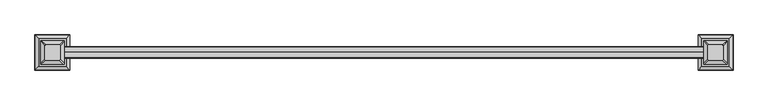
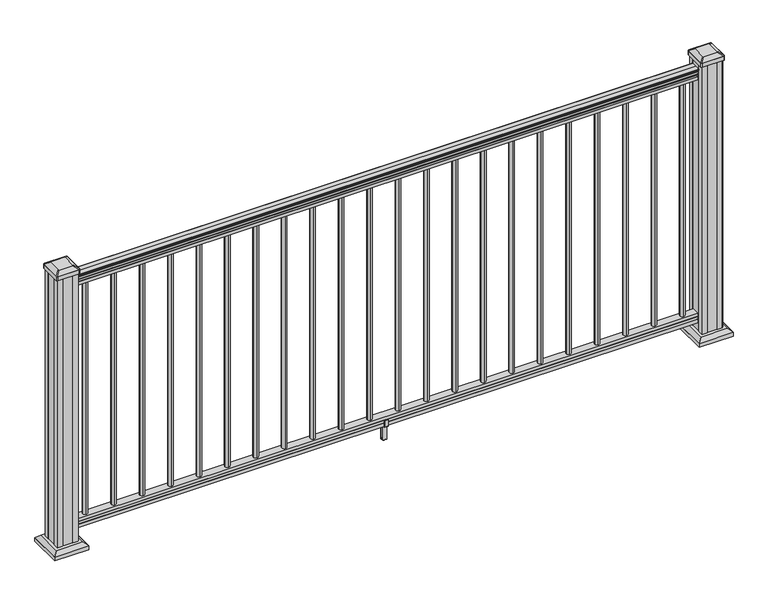
"""IFC4 building model written with IfcOpenShell, lengths in millimetres: railing geometry."""

from ifc_helpers import new_model, si_unit, point, frame, frame_2d, origin, origin_with_axes, place, context, project, spatial, polyline, circle_curve, trimmed, segment, composite_curve, outline, extrude, faceted_brep, source, transform, mapped, element, save
from ifc_brep_helpers import plane_surface, extruded_surface, advanced_brep


def railing_2e177213(model_context):
    return source(origin(), model_context, "Body", "SolidModel", [
        extrude(outline(composite_curve([segment(polyline([(1090.8043297, -22196.6902081), (1092.692412, -22196.6902081)]), True, "CONTINUOUS"), segment(trimmed(circle_curve(frame_2d((1098.4506383, -22203.0049614)), 8.545951), [point((1092.692412, -22196.6902081))], [point((1094.2546695, -22195.5600218))], False, "CARTESIAN"), True, "CONTINUOUS"), segment(trimmed(circle_curve(frame_2d((1097.8636577, -22202.5678984)), 7.882584), [point((1094.2546695, -22195.5600218))], [point((1101.4726458, -22195.5600218))], False, "CARTESIAN"), True, "CONTINUOUS"), segment(trimmed(circle_curve(frame_2d((1103.7112527, -22192.0545743)), 4.1592695), [point((1101.4726458, -22195.5600218))], [point((1103.9060812, -22196.2092782))], True, "CARTESIAN"), True, "CONTINUOUS"), segment(trimmed(circle_curve(frame_2d((1103.6508864, -22190.7672677)), 5.4479907), [point((1103.9060812, -22196.2092782))], [point((1108.2362083, -22193.7092782))], True, "CARTESIAN"), True, "CONTINUOUS"), segment(trimmed(circle_curve(frame_2d((1108.233395, -22192.0004262)), 1.7088543), [point((1108.2362083, -22193.7092782))], [point((1109.9157972, -22192.2999357))], True, "CARTESIAN"), True, "CONTINUOUS"), segment(trimmed(circle_curve(frame_2d((1111.0205318, -22193.6173262)), 1.7192895), [point((1109.9157972, -22192.2999357))], [point((1111.0205318, -22191.8980367))], False, "CARTESIAN"), True, "CONTINUOUS"), segment(polyline([(1111.0205318, -22191.8980367), (1112.3608158, -22191.8980368)]), True, "CONTINUOUS"), segment(trimmed(circle_curve(frame_2d((1112.3608158, -22193.451484)), 1.5534472), [point((1112.3608158, -22191.8980368))], [point((1113.914263, -22193.451484))], False, "CARTESIAN"), True, "CONTINUOUS"), segment(polyline([(1113.914263, -22193.451484), (1113.914263, -22214.1230368), (1113.914263, -22234.7945896)]), True, "CONTINUOUS"), segment(trimmed(circle_curve(frame_2d((1112.3608158, -22234.7945896)), 1.5534472), [point((1113.914263, -22234.7945896))], [point((1112.3608158, -22236.3480368))], False, "CARTESIAN"), True, "CONTINUOUS"), segment(polyline([(1112.3608158, -22236.3480368), (1111.0205318, -22236.3480368)]), True, "CONTINUOUS"), segment(trimmed(circle_curve(frame_2d((1111.0205318, -22234.6287474)), 1.7192895), [point((1111.0205318, -22236.3480368))], [point((1109.9157972, -22235.9461379))], False, "CARTESIAN"), True, "CONTINUOUS"), segment(trimmed(circle_curve(frame_2d((1108.233395, -22236.2456475)), 1.7088543), [point((1109.9157972, -22235.9461379))], [point((1108.2362083, -22234.5367954))], True, "CARTESIAN"), True, "CONTINUOUS"), segment(trimmed(circle_curve(frame_2d((1103.6508864, -22237.4788059)), 5.4479907), [point((1108.2362083, -22234.5367954))], [point((1103.9060812, -22232.0367954))], True, "CARTESIAN"), True, "CONTINUOUS"), segment(trimmed(circle_curve(frame_2d((1103.7112527, -22236.1914994)), 4.1592695), [point((1103.9060812, -22232.0367954))], [point((1101.4726458, -22232.6860518))], True, "CARTESIAN"), True, "CONTINUOUS"), segment(trimmed(circle_curve(frame_2d((1097.8636577, -22225.6781752)), 7.882584), [point((1101.4726458, -22232.6860518))], [point((1094.2546695, -22232.6860518))], False, "CARTESIAN"), True, "CONTINUOUS"), segment(trimmed(circle_curve(frame_2d((1098.4506383, -22225.2411123)), 8.545951), [point((1094.2546695, -22232.6860518))], [point((1092.692412, -22231.5558655))], False, "CARTESIAN"), True, "CONTINUOUS"), segment(polyline([(1092.692412, -22231.5558655), (1090.8043297, -22231.5558656)]), True, "CONTINUOUS"), segment(trimmed(circle_curve(frame_2d((1090.8043297, -22230.2689512)), 1.2869144), [point((1090.8043297, -22231.5558656))], [point((1090.8043297, -22228.9820368))], False, "CARTESIAN"), True, "CONTINUOUS"), segment(polyline([(1090.8043297, -22228.9820368), (1080.3048283, -22228.9820368), (1079.2888283, -22229.9980368), (1066.8, -22229.9980368), (1066.8, -22198.2480368), (1079.131013, -22198.2480368), (1080.147013, -22199.2640368), (1090.8043297, -22199.2640368)]), True, "CONTINUOUS"), segment(trimmed(circle_curve(frame_2d((1090.8043297, -22197.9771224)), 1.2869144), [point((1090.8043297, -22199.2640368))], [point((1090.8043297, -22196.6902081))], False, "CARTESIAN"), True, "CONTINUOUS")], self_intersect=False)), frame((19625.326685, 0.0, 0.0), z_axis=(-1.0, 0.0, 0.0), x_axis=(0.0, 0.0, 1.0)), (0.0, 0.0, 1.0), 2438.4),
        extrude(outline(polyline([(-22198.2105499, 76.0541976), (-22198.2105499, 63.5), (-22229.9605499, 63.5), (-22229.9605499, 76.0375508), (-22228.9445499, 77.3858283), (-22228.9445499, 87.6975248), (-22229.9605499, 89.0458024), (-22229.9605499, 101.5958781), (-22198.2105499, 101.5958781), (-22198.2105499, 89.0624492), (-22199.2265499, 87.7141717), (-22199.2265499, 77.3546183), (-22198.2105499, 76.0541976)])), frame((17186.926685, 0.0, 0.0), z_axis=(1.0, 0.0, 0.0), x_axis=(0.0, 1.0, 0.0)), (0.0, 0.0, 1.0), 2438.4),
        extrude(outline(composite_curve([segment(trimmed(circle_curve(frame_2d((17236.710685, -22214.1230368)), 9.525), [point((17236.710685, -22204.5980368))], [point((17246.235685, -22214.1230368))], False, "CARTESIAN"), True, "CONTINUOUS"), segment(trimmed(circle_curve(frame_2d((17236.710685, -22214.1230368)), 9.525), [point((17246.235685, -22214.1230368))], [point((17236.710685, -22223.6480368))], False, "CARTESIAN"), True, "CONTINUOUS"), segment(trimmed(circle_curve(frame_2d((17236.710685, -22214.1230368)), 9.525), [point((17236.710685, -22223.6480368))], [point((17227.185685, -22214.1230368))], False, "CARTESIAN"), True, "CONTINUOUS"), segment(trimmed(circle_curve(frame_2d((17236.710685, -22214.1230368)), 9.525), [point((17227.185685, -22214.1230368))], [point((17236.710685, -22204.5980368))], False, "CARTESIAN"), True, "CONTINUOUS")], self_intersect=False)), frame((0.0, 0.0, 101.5958781), z_axis=(0.0, 0.0, 1.0), x_axis=(1.0, 0.0, 0.0)), (0.0, 0.0, 1.0), 965.2041219),
        extrude(outline(composite_curve([segment(trimmed(circle_curve(frame_2d((17347.962685, -22214.1230368)), 9.525), [point((17347.962685, -22204.5980368))], [point((17357.487685, -22214.1230368))], False, "CARTESIAN"), True, "CONTINUOUS"), segment(trimmed(circle_curve(frame_2d((17347.962685, -22214.1230368)), 9.525), [point((17357.487685, -22214.1230368))], [point((17347.962685, -22223.6480368))], False, "CARTESIAN"), True, "CONTINUOUS"), segment(trimmed(circle_curve(frame_2d((17347.962685, -22214.1230368)), 9.525), [point((17347.962685, -22223.6480368))], [point((17338.437685, -22214.1230368))], False, "CARTESIAN"), True, "CONTINUOUS"), segment(trimmed(circle_curve(frame_2d((17347.962685, -22214.1230368)), 9.525), [point((17338.437685, -22214.1230368))], [point((17347.962685, -22204.5980368))], False, "CARTESIAN"), True, "CONTINUOUS")], self_intersect=False)), frame((0.0, 0.0, 101.5958781), z_axis=(0.0, 0.0, 1.0), x_axis=(1.0, 0.0, 0.0)), (0.0, 0.0, 1.0), 965.2041219),
        extrude(outline(composite_curve([segment(trimmed(circle_curve(frame_2d((17459.214685, -22214.1230368)), 9.525), [point((17459.214685, -22204.5980368))], [point((17468.739685, -22214.1230368))], False, "CARTESIAN"), True, "CONTINUOUS"), segment(trimmed(circle_curve(frame_2d((17459.214685, -22214.1230368)), 9.525), [point((17468.739685, -22214.1230368))], [point((17459.214685, -22223.6480368))], False, "CARTESIAN"), True, "CONTINUOUS"), segment(trimmed(circle_curve(frame_2d((17459.214685, -22214.1230368)), 9.525), [point((17459.214685, -22223.6480368))], [point((17449.689685, -22214.1230368))], False, "CARTESIAN"), True, "CONTINUOUS"), segment(trimmed(circle_curve(frame_2d((17459.214685, -22214.1230368)), 9.525), [point((17449.689685, -22214.1230368))], [point((17459.214685, -22204.5980368))], False, "CARTESIAN"), True, "CONTINUOUS")], self_intersect=False)), frame((0.0, 0.0, 101.5958781), z_axis=(0.0, 0.0, 1.0), x_axis=(1.0, 0.0, 0.0)), (0.0, 0.0, 1.0), 965.2041219),
        extrude(outline(composite_curve([segment(trimmed(circle_curve(frame_2d((17570.466685, -22214.1230368)), 9.525), [point((17570.466685, -22204.5980368))], [point((17579.991685, -22214.1230368))], False, "CARTESIAN"), True, "CONTINUOUS"), segment(trimmed(circle_curve(frame_2d((17570.466685, -22214.1230368)), 9.525), [point((17579.991685, -22214.1230368))], [point((17570.466685, -22223.6480368))], False, "CARTESIAN"), True, "CONTINUOUS"), segment(trimmed(circle_curve(frame_2d((17570.466685, -22214.1230368)), 9.525), [point((17570.466685, -22223.6480368))], [point((17560.941685, -22214.1230368))], False, "CARTESIAN"), True, "CONTINUOUS"), segment(trimmed(circle_curve(frame_2d((17570.466685, -22214.1230368)), 9.525), [point((17560.941685, -22214.1230368))], [point((17570.466685, -22204.5980368))], False, "CARTESIAN"), True, "CONTINUOUS")], self_intersect=False)), frame((0.0, 0.0, 101.5958781), z_axis=(0.0, 0.0, 1.0), x_axis=(1.0, 0.0, 0.0)), (0.0, 0.0, 1.0), 965.2041219),
        extrude(outline(composite_curve([segment(trimmed(circle_curve(frame_2d((17681.718685, -22214.1230368)), 9.525), [point((17681.718685, -22204.5980368))], [point((17691.243685, -22214.1230368))], False, "CARTESIAN"), True, "CONTINUOUS"), segment(trimmed(circle_curve(frame_2d((17681.718685, -22214.1230368)), 9.525), [point((17691.243685, -22214.1230368))], [point((17681.718685, -22223.6480368))], False, "CARTESIAN"), True, "CONTINUOUS"), segment(trimmed(circle_curve(frame_2d((17681.718685, -22214.1230368)), 9.525), [point((17681.718685, -22223.6480368))], [point((17672.193685, -22214.1230368))], False, "CARTESIAN"), True, "CONTINUOUS"), segment(trimmed(circle_curve(frame_2d((17681.718685, -22214.1230368)), 9.525), [point((17672.193685, -22214.1230368))], [point((17681.718685, -22204.5980368))], False, "CARTESIAN"), True, "CONTINUOUS")], self_intersect=False)), frame((0.0, 0.0, 101.5958781), z_axis=(0.0, 0.0, 1.0), x_axis=(1.0, 0.0, 0.0)), (0.0, 0.0, 1.0), 965.2041219),
        extrude(outline(composite_curve([segment(trimmed(circle_curve(frame_2d((17792.970685, -22214.1230368)), 9.525), [point((17792.970685, -22204.5980368))], [point((17802.495685, -22214.1230368))], False, "CARTESIAN"), True, "CONTINUOUS"), segment(trimmed(circle_curve(frame_2d((17792.970685, -22214.1230368)), 9.525), [point((17802.495685, -22214.1230368))], [point((17792.970685, -22223.6480368))], False, "CARTESIAN"), True, "CONTINUOUS"), segment(trimmed(circle_curve(frame_2d((17792.970685, -22214.1230368)), 9.525), [point((17792.970685, -22223.6480368))], [point((17783.445685, -22214.1230368))], False, "CARTESIAN"), True, "CONTINUOUS"), segment(trimmed(circle_curve(frame_2d((17792.970685, -22214.1230368)), 9.525), [point((17783.445685, -22214.1230368))], [point((17792.970685, -22204.5980368))], False, "CARTESIAN"), True, "CONTINUOUS")], self_intersect=False)), frame((0.0, 0.0, 101.5958781), z_axis=(0.0, 0.0, 1.0), x_axis=(1.0, 0.0, 0.0)), (0.0, 0.0, 1.0), 965.2041219),
        extrude(outline(composite_curve([segment(trimmed(circle_curve(frame_2d((17904.222685, -22214.1230368)), 9.525), [point((17904.222685, -22204.5980368))], [point((17913.747685, -22214.1230368))], False, "CARTESIAN"), True, "CONTINUOUS"), segment(trimmed(circle_curve(frame_2d((17904.222685, -22214.1230368)), 9.525), [point((17913.747685, -22214.1230368))], [point((17904.222685, -22223.6480368))], False, "CARTESIAN"), True, "CONTINUOUS"), segment(trimmed(circle_curve(frame_2d((17904.222685, -22214.1230368)), 9.525), [point((17904.222685, -22223.6480368))], [point((17894.697685, -22214.1230368))], False, "CARTESIAN"), True, "CONTINUOUS"), segment(trimmed(circle_curve(frame_2d((17904.222685, -22214.1230368)), 9.525), [point((17894.697685, -22214.1230368))], [point((17904.222685, -22204.5980368))], False, "CARTESIAN"), True, "CONTINUOUS")], self_intersect=False)), frame((0.0, 0.0, 101.5958781), z_axis=(0.0, 0.0, 1.0), x_axis=(1.0, 0.0, 0.0)), (0.0, 0.0, 1.0), 965.2041219),
        extrude(outline(composite_curve([segment(trimmed(circle_curve(frame_2d((18015.474685, -22214.1230368)), 9.525), [point((18015.474685, -22204.5980368))], [point((18024.999685, -22214.1230368))], False, "CARTESIAN"), True, "CONTINUOUS"), segment(trimmed(circle_curve(frame_2d((18015.474685, -22214.1230368)), 9.525), [point((18024.999685, -22214.1230368))], [point((18015.474685, -22223.6480368))], False, "CARTESIAN"), True, "CONTINUOUS"), segment(trimmed(circle_curve(frame_2d((18015.474685, -22214.1230368)), 9.525), [point((18015.474685, -22223.6480368))], [point((18005.949685, -22214.1230368))], False, "CARTESIAN"), True, "CONTINUOUS"), segment(trimmed(circle_curve(frame_2d((18015.474685, -22214.1230368)), 9.525), [point((18005.949685, -22214.1230368))], [point((18015.474685, -22204.5980368))], False, "CARTESIAN"), True, "CONTINUOUS")], self_intersect=False)), frame((0.0, 0.0, 101.5958781), z_axis=(0.0, 0.0, 1.0), x_axis=(1.0, 0.0, 0.0)), (0.0, 0.0, 1.0), 965.2041219),
        extrude(outline(composite_curve([segment(trimmed(circle_curve(frame_2d((18126.726685, -22214.1230368)), 9.525), [point((18126.726685, -22204.5980368))], [point((18136.251685, -22214.1230368))], False, "CARTESIAN"), True, "CONTINUOUS"), segment(trimmed(circle_curve(frame_2d((18126.726685, -22214.1230368)), 9.525), [point((18136.251685, -22214.1230368))], [point((18126.726685, -22223.6480368))], False, "CARTESIAN"), True, "CONTINUOUS"), segment(trimmed(circle_curve(frame_2d((18126.726685, -22214.1230368)), 9.525), [point((18126.726685, -22223.6480368))], [point((18117.201685, -22214.1230368))], False, "CARTESIAN"), True, "CONTINUOUS"), segment(trimmed(circle_curve(frame_2d((18126.726685, -22214.1230368)), 9.525), [point((18117.201685, -22214.1230368))], [point((18126.726685, -22204.5980368))], False, "CARTESIAN"), True, "CONTINUOUS")], self_intersect=False)), frame((0.0, 0.0, 101.5958781), z_axis=(0.0, 0.0, 1.0), x_axis=(1.0, 0.0, 0.0)), (0.0, 0.0, 1.0), 965.2041219),
        extrude(outline(composite_curve([segment(trimmed(circle_curve(frame_2d((18237.978685, -22214.1230368)), 9.525), [point((18237.978685, -22204.5980368))], [point((18247.503685, -22214.1230368))], False, "CARTESIAN"), True, "CONTINUOUS"), segment(trimmed(circle_curve(frame_2d((18237.978685, -22214.1230368)), 9.525), [point((18247.503685, -22214.1230368))], [point((18237.978685, -22223.6480368))], False, "CARTESIAN"), True, "CONTINUOUS"), segment(trimmed(circle_curve(frame_2d((18237.978685, -22214.1230368)), 9.525), [point((18237.978685, -22223.6480368))], [point((18228.453685, -22214.1230368))], False, "CARTESIAN"), True, "CONTINUOUS"), segment(trimmed(circle_curve(frame_2d((18237.978685, -22214.1230368)), 9.525), [point((18228.453685, -22214.1230368))], [point((18237.978685, -22204.5980368))], False, "CARTESIAN"), True, "CONTINUOUS")], self_intersect=False)), frame((0.0, 0.0, 101.5958781), z_axis=(0.0, 0.0, 1.0), x_axis=(1.0, 0.0, 0.0)), (0.0, 0.0, 1.0), 965.2041219),
        extrude(outline(composite_curve([segment(trimmed(circle_curve(frame_2d((18349.230685, -22214.1230368)), 9.525), [point((18349.230685, -22204.5980368))], [point((18358.755685, -22214.1230368))], False, "CARTESIAN"), True, "CONTINUOUS"), segment(trimmed(circle_curve(frame_2d((18349.230685, -22214.1230368)), 9.525), [point((18358.755685, -22214.1230368))], [point((18349.230685, -22223.6480368))], False, "CARTESIAN"), True, "CONTINUOUS"), segment(trimmed(circle_curve(frame_2d((18349.230685, -22214.1230368)), 9.525), [point((18349.230685, -22223.6480368))], [point((18339.705685, -22214.1230368))], False, "CARTESIAN"), True, "CONTINUOUS"), segment(trimmed(circle_curve(frame_2d((18349.230685, -22214.1230368)), 9.525), [point((18339.705685, -22214.1230368))], [point((18349.230685, -22204.5980368))], False, "CARTESIAN"), True, "CONTINUOUS")], self_intersect=False)), frame((0.0, 0.0, 101.5958781), z_axis=(0.0, 0.0, 1.0), x_axis=(1.0, 0.0, 0.0)), (0.0, 0.0, 1.0), 965.2041219),
        extrude(outline(polyline([(-22232.2840356, 88.7203979), (-22230.252036, 88.7203979), (-22229.2360363, 87.7043953), (-22229.2360363, 77.2686081), (-22230.252036, 76.2526073), (-22230.252036, 64.262001), (-22229.4900369, 63.5000019), (-22198.7560358, 63.5000019), (-22197.9940366, 64.262001), (-22197.9940366, 76.2526073), (-22199.0100364, 77.2686081), (-22199.0100364, 87.7043953), (-22197.9940366, 88.7203979), (-22195.962037, 88.7203979), (-22195.200036, 87.9583969), (-22195.200036, 61.4680023), (-22195.962037, 60.7060013), (-22205.9950361, 60.7060013), (-22206.7570362, 59.9440012), (-22206.7570362, 0.762001), (-22207.5190372, 0.0), (-22220.7270364, 0.0), (-22221.4890365, 0.7620001), (-22221.4890365, 59.9440012), (-22222.2510366, 60.7060013), (-22232.2840356, 60.7060013), (-22233.0460367, 61.4680023), (-22233.0460367, 87.9583969), (-22232.2840356, 88.7203979)]), holes=[polyline([(-22210.6940364, 60.7060013), (-22217.5520362, 60.7060013), (-22218.3140363, 59.9440012), (-22218.3140363, 3.9370003), (-22217.5520391, 3.1750031), (-22210.6940364, 3.1750031), (-22209.9320363, 3.9370031), (-22209.9320363, 59.9440012), (-22210.6940364, 60.7060013)])]), frame((18397.490685, 0.0, 0.0), z_axis=(1.0, 0.0, 0.0), x_axis=(0.0, 1.0, 0.0)), (0.0, 0.0, 1.0), 14.732),
        extrude(outline(composite_curve([segment(trimmed(circle_curve(frame_2d((18460.482685, -22214.1230368)), 9.525), [point((18460.482685, -22204.5980368))], [point((18470.007685, -22214.1230368))], False, "CARTESIAN"), True, "CONTINUOUS"), segment(trimmed(circle_curve(frame_2d((18460.482685, -22214.1230368)), 9.525), [point((18470.007685, -22214.1230368))], [point((18460.482685, -22223.6480368))], False, "CARTESIAN"), True, "CONTINUOUS"), segment(trimmed(circle_curve(frame_2d((18460.482685, -22214.1230368)), 9.525), [point((18460.482685, -22223.6480368))], [point((18450.957685, -22214.1230368))], False, "CARTESIAN"), True, "CONTINUOUS"), segment(trimmed(circle_curve(frame_2d((18460.482685, -22214.1230368)), 9.525), [point((18450.957685, -22214.1230368))], [point((18460.482685, -22204.5980368))], False, "CARTESIAN"), True, "CONTINUOUS")], self_intersect=False)), frame((0.0, 0.0, 101.5958781), z_axis=(0.0, 0.0, 1.0), x_axis=(1.0, 0.0, 0.0)), (0.0, 0.0, 1.0), 965.2041219),
        extrude(outline(composite_curve([segment(trimmed(circle_curve(frame_2d((18571.734685, -22214.1230368)), 9.525), [point((18571.734685, -22204.5980368))], [point((18581.259685, -22214.1230368))], False, "CARTESIAN"), True, "CONTINUOUS"), segment(trimmed(circle_curve(frame_2d((18571.734685, -22214.1230368)), 9.525), [point((18581.259685, -22214.1230368))], [point((18571.734685, -22223.6480368))], False, "CARTESIAN"), True, "CONTINUOUS"), segment(trimmed(circle_curve(frame_2d((18571.734685, -22214.1230368)), 9.525), [point((18571.734685, -22223.6480368))], [point((18562.209685, -22214.1230368))], False, "CARTESIAN"), True, "CONTINUOUS"), segment(trimmed(circle_curve(frame_2d((18571.734685, -22214.1230368)), 9.525), [point((18562.209685, -22214.1230368))], [point((18571.734685, -22204.5980368))], False, "CARTESIAN"), True, "CONTINUOUS")], self_intersect=False)), frame((0.0, 0.0, 101.5958781), z_axis=(0.0, 0.0, 1.0), x_axis=(1.0, 0.0, 0.0)), (0.0, 0.0, 1.0), 965.2041219),
        extrude(outline(composite_curve([segment(trimmed(circle_curve(frame_2d((18682.986685, -22214.1230368)), 9.525), [point((18682.986685, -22204.5980368))], [point((18692.511685, -22214.1230368))], False, "CARTESIAN"), True, "CONTINUOUS"), segment(trimmed(circle_curve(frame_2d((18682.986685, -22214.1230368)), 9.525), [point((18692.511685, -22214.1230368))], [point((18682.986685, -22223.6480368))], False, "CARTESIAN"), True, "CONTINUOUS"), segment(trimmed(circle_curve(frame_2d((18682.986685, -22214.1230368)), 9.525), [point((18682.986685, -22223.6480368))], [point((18673.461685, -22214.1230368))], False, "CARTESIAN"), True, "CONTINUOUS"), segment(trimmed(circle_curve(frame_2d((18682.986685, -22214.1230368)), 9.525), [point((18673.461685, -22214.1230368))], [point((18682.986685, -22204.5980368))], False, "CARTESIAN"), True, "CONTINUOUS")], self_intersect=False)), frame((0.0, 0.0, 101.5958781), z_axis=(0.0, 0.0, 1.0), x_axis=(1.0, 0.0, 0.0)), (0.0, 0.0, 1.0), 965.2041219),
        extrude(outline(composite_curve([segment(trimmed(circle_curve(frame_2d((18794.238685, -22214.1230368)), 9.525), [point((18794.238685, -22204.5980368))], [point((18803.763685, -22214.1230368))], False, "CARTESIAN"), True, "CONTINUOUS"), segment(trimmed(circle_curve(frame_2d((18794.238685, -22214.1230368)), 9.525), [point((18803.763685, -22214.1230368))], [point((18794.238685, -22223.6480368))], False, "CARTESIAN"), True, "CONTINUOUS"), segment(trimmed(circle_curve(frame_2d((18794.238685, -22214.1230368)), 9.525), [point((18794.238685, -22223.6480368))], [point((18784.713685, -22214.1230368))], False, "CARTESIAN"), True, "CONTINUOUS"), segment(trimmed(circle_curve(frame_2d((18794.238685, -22214.1230368)), 9.525), [point((18784.713685, -22214.1230368))], [point((18794.238685, -22204.5980368))], False, "CARTESIAN"), True, "CONTINUOUS")], self_intersect=False)), frame((0.0, 0.0, 101.5958781), z_axis=(0.0, 0.0, 1.0), x_axis=(1.0, 0.0, 0.0)), (0.0, 0.0, 1.0), 965.2041219),
        extrude(outline(composite_curve([segment(trimmed(circle_curve(frame_2d((18905.490685, -22214.1230368)), 9.525), [point((18905.490685, -22204.5980368))], [point((18915.015685, -22214.1230368))], False, "CARTESIAN"), True, "CONTINUOUS"), segment(trimmed(circle_curve(frame_2d((18905.490685, -22214.1230368)), 9.525), [point((18915.015685, -22214.1230368))], [point((18905.490685, -22223.6480368))], False, "CARTESIAN"), True, "CONTINUOUS"), segment(trimmed(circle_curve(frame_2d((18905.490685, -22214.1230368)), 9.525), [point((18905.490685, -22223.6480368))], [point((18895.965685, -22214.1230368))], False, "CARTESIAN"), True, "CONTINUOUS"), segment(trimmed(circle_curve(frame_2d((18905.490685, -22214.1230368)), 9.525), [point((18895.965685, -22214.1230368))], [point((18905.490685, -22204.5980368))], False, "CARTESIAN"), True, "CONTINUOUS")], self_intersect=False)), frame((0.0, 0.0, 101.5958781), z_axis=(0.0, 0.0, 1.0), x_axis=(1.0, 0.0, 0.0)), (0.0, 0.0, 1.0), 965.2041219),
        extrude(outline(composite_curve([segment(trimmed(circle_curve(frame_2d((19016.742685, -22214.1230368)), 9.525), [point((19016.742685, -22204.5980368))], [point((19026.267685, -22214.1230368))], False, "CARTESIAN"), True, "CONTINUOUS"), segment(trimmed(circle_curve(frame_2d((19016.742685, -22214.1230368)), 9.525), [point((19026.267685, -22214.1230368))], [point((19016.742685, -22223.6480368))], False, "CARTESIAN"), True, "CONTINUOUS"), segment(trimmed(circle_curve(frame_2d((19016.742685, -22214.1230368)), 9.525), [point((19016.742685, -22223.6480368))], [point((19007.217685, -22214.1230368))], False, "CARTESIAN"), True, "CONTINUOUS"), segment(trimmed(circle_curve(frame_2d((19016.742685, -22214.1230368)), 9.525), [point((19007.217685, -22214.1230368))], [point((19016.742685, -22204.5980368))], False, "CARTESIAN"), True, "CONTINUOUS")], self_intersect=False)), frame((0.0, 0.0, 101.5958781), z_axis=(0.0, 0.0, 1.0), x_axis=(1.0, 0.0, 0.0)), (0.0, 0.0, 1.0), 965.2041219),
        extrude(outline(composite_curve([segment(trimmed(circle_curve(frame_2d((19127.994685, -22214.1230368)), 9.525), [point((19127.994685, -22204.5980368))], [point((19137.519685, -22214.1230368))], False, "CARTESIAN"), True, "CONTINUOUS"), segment(trimmed(circle_curve(frame_2d((19127.994685, -22214.1230368)), 9.525), [point((19137.519685, -22214.1230368))], [point((19127.994685, -22223.6480368))], False, "CARTESIAN"), True, "CONTINUOUS"), segment(trimmed(circle_curve(frame_2d((19127.994685, -22214.1230368)), 9.525), [point((19127.994685, -22223.6480368))], [point((19118.469685, -22214.1230368))], False, "CARTESIAN"), True, "CONTINUOUS"), segment(trimmed(circle_curve(frame_2d((19127.994685, -22214.1230368)), 9.525), [point((19118.469685, -22214.1230368))], [point((19127.994685, -22204.5980368))], False, "CARTESIAN"), True, "CONTINUOUS")], self_intersect=False)), frame((0.0, 0.0, 101.5958781), z_axis=(0.0, 0.0, 1.0), x_axis=(1.0, 0.0, 0.0)), (0.0, 0.0, 1.0), 965.2041219),
        extrude(outline(composite_curve([segment(trimmed(circle_curve(frame_2d((19239.246685, -22214.1230368)), 9.525), [point((19239.246685, -22204.5980368))], [point((19248.771685, -22214.1230368))], False, "CARTESIAN"), True, "CONTINUOUS"), segment(trimmed(circle_curve(frame_2d((19239.246685, -22214.1230368)), 9.525), [point((19248.771685, -22214.1230368))], [point((19239.246685, -22223.6480368))], False, "CARTESIAN"), True, "CONTINUOUS"), segment(trimmed(circle_curve(frame_2d((19239.246685, -22214.1230368)), 9.525), [point((19239.246685, -22223.6480368))], [point((19229.721685, -22214.1230368))], False, "CARTESIAN"), True, "CONTINUOUS"), segment(trimmed(circle_curve(frame_2d((19239.246685, -22214.1230368)), 9.525), [point((19229.721685, -22214.1230368))], [point((19239.246685, -22204.5980368))], False, "CARTESIAN"), True, "CONTINUOUS")], self_intersect=False)), frame((0.0, 0.0, 101.5958781), z_axis=(0.0, 0.0, 1.0), x_axis=(1.0, 0.0, 0.0)), (0.0, 0.0, 1.0), 965.2041219),
        extrude(outline(composite_curve([segment(trimmed(circle_curve(frame_2d((19350.498685, -22214.1230368)), 9.525), [point((19350.498685, -22204.5980368))], [point((19360.023685, -22214.1230368))], False, "CARTESIAN"), True, "CONTINUOUS"), segment(trimmed(circle_curve(frame_2d((19350.498685, -22214.1230368)), 9.525), [point((19360.023685, -22214.1230368))], [point((19350.498685, -22223.6480368))], False, "CARTESIAN"), True, "CONTINUOUS"), segment(trimmed(circle_curve(frame_2d((19350.498685, -22214.1230368)), 9.525), [point((19350.498685, -22223.6480368))], [point((19340.973685, -22214.1230368))], False, "CARTESIAN"), True, "CONTINUOUS"), segment(trimmed(circle_curve(frame_2d((19350.498685, -22214.1230368)), 9.525), [point((19340.973685, -22214.1230368))], [point((19350.498685, -22204.5980368))], False, "CARTESIAN"), True, "CONTINUOUS")], self_intersect=False)), frame((0.0, 0.0, 101.5958781), z_axis=(0.0, 0.0, 1.0), x_axis=(1.0, 0.0, 0.0)), (0.0, 0.0, 1.0), 965.2041219),
        extrude(outline(composite_curve([segment(trimmed(circle_curve(frame_2d((19461.750685, -22214.1230368)), 9.525), [point((19461.750685, -22204.5980368))], [point((19471.275685, -22214.1230368))], False, "CARTESIAN"), True, "CONTINUOUS"), segment(trimmed(circle_curve(frame_2d((19461.750685, -22214.1230368)), 9.525), [point((19471.275685, -22214.1230368))], [point((19461.750685, -22223.6480368))], False, "CARTESIAN"), True, "CONTINUOUS"), segment(trimmed(circle_curve(frame_2d((19461.750685, -22214.1230368)), 9.525), [point((19461.750685, -22223.6480368))], [point((19452.225685, -22214.1230368))], False, "CARTESIAN"), True, "CONTINUOUS"), segment(trimmed(circle_curve(frame_2d((19461.750685, -22214.1230368)), 9.525), [point((19452.225685, -22214.1230368))], [point((19461.750685, -22204.5980368))], False, "CARTESIAN"), True, "CONTINUOUS")], self_intersect=False)), frame((0.0, 0.0, 101.5958781), z_axis=(0.0, 0.0, 1.0), x_axis=(1.0, 0.0, 0.0)), (0.0, 0.0, 1.0), 965.2041219),
        extrude(outline(composite_curve([segment(trimmed(circle_curve(frame_2d((19573.002685, -22214.1230368)), 9.525), [point((19573.002685, -22204.5980368))], [point((19582.527685, -22214.1230368))], False, "CARTESIAN"), True, "CONTINUOUS"), segment(trimmed(circle_curve(frame_2d((19573.002685, -22214.1230368)), 9.525), [point((19582.527685, -22214.1230368))], [point((19573.002685, -22223.6480368))], False, "CARTESIAN"), True, "CONTINUOUS"), segment(trimmed(circle_curve(frame_2d((19573.002685, -22214.1230368)), 9.525), [point((19573.002685, -22223.6480368))], [point((19563.477685, -22214.1230368))], False, "CARTESIAN"), True, "CONTINUOUS"), segment(trimmed(circle_curve(frame_2d((19573.002685, -22214.1230368)), 9.525), [point((19563.477685, -22214.1230368))], [point((19573.002685, -22204.5980368))], False, "CARTESIAN"), True, "CONTINUOUS")], self_intersect=False)), frame((0.0, 0.0, 101.5958781), z_axis=(0.0, 0.0, 1.0), x_axis=(1.0, 0.0, 0.0)), (0.0, 0.0, 1.0), 965.2041219),
        faceted_brep([(17198.1106225, -22161.5370993, 28.575), (17092.9387475, -22161.5370993, 28.575), (17092.9387475, -22266.7089743, 28.575), (17198.1106225, -22266.7089743, 28.575), (17212.1500757, -22147.4976462, 15.24), (17212.1500757, -22280.7484274, 15.24), (17078.8992944, -22280.7484274, 15.24), (17078.8992944, -22147.4976462, 15.24)], [[[0, 1, 2, 3]], [[4, 5, 6, 7]], [[4, 0, 3, 5]], [[5, 3, 2, 6]], [[6, 2, 1, 7]], [[7, 1, 0, 4]]]),
        extrude(outline(polyline([(17212.1500757, -22147.4976462), (17212.1500757, -22280.7484274), (17078.8992944, -22280.7484274), (17078.8992944, -22147.4976462), (17212.1500757, -22147.4976462)])), origin_with_axes(), (0.0, 0.0, 1.0), 15.24),
        advanced_brep(
        [(17174.49656, -22239.9199118, 1165.225), (17174.49656, -22188.3261618, 1165.225), (17171.32156, -22185.1511618, 1165.225), (17119.72781, -22185.1511618, 1165.225), (17116.55281, -22188.3261618, 1165.225), (17116.55281, -22239.9199118, 1165.225), (17119.72781, -22243.0949118, 1165.225), (17171.32156, -22243.0949118, 1165.225), (17190.768435, -22256.1917868, 1153.922), (17187.593435, -22259.3667868, 1153.922), (17103.455935, -22259.3667868, 1153.922), (17100.280935, -22256.1917868, 1153.922), (17100.280935, -22172.0542868, 1153.922), (17103.455935, -22168.8792868, 1153.922), (17187.593435, -22168.8792868, 1153.922), (17190.768435, -22172.0542868, 1153.922)],
        [
            (0, 1),
            (1, 2, circle_curve(frame((17171.32156, -22188.3261618, 1165.225), z_axis=(0.0, 0.0, 1.0), x_axis=(-1.0, 0.0, 0.0)), 3.175)),
            (2, 3),
            (3, 4, circle_curve(frame((17119.72781, -22188.3261618, 1165.225), z_axis=(0.0, 0.0, 1.0), x_axis=(-1.0, 0.0, 0.0)), 3.175)),
            (4, 5),
            (5, 6, circle_curve(frame((17119.72781, -22239.9199118, 1165.225), z_axis=(0.0, 0.0, 1.0), x_axis=(-1.0, 0.0, 0.0)), 3.175)),
            (6, 7),
            (7, 0, circle_curve(frame((17171.32156, -22239.9199118, 1165.225), z_axis=(0.0, 0.0, 1.0), x_axis=(-1.0, 0.0, 0.0)), 3.175)),
            (8, 9, circle_curve(frame((17187.593435, -22256.1917868, 1153.922), z_axis=(0.0, 0.0, -1.0), x_axis=(-1.0, 0.0, 0.0)), 3.175)),
            (9, 10),
            (10, 11, circle_curve(frame((17103.455935, -22256.1917868, 1153.922), z_axis=(0.0, 0.0, -1.0), x_axis=(-1.0, 0.0, 0.0)), 3.175)),
            (11, 12),
            (12, 13, circle_curve(frame((17103.455935, -22172.0542868, 1153.922), z_axis=(0.0, 0.0, -1.0), x_axis=(-1.0, 0.0, 0.0)), 3.175)),
            (13, 14),
            (14, 15, circle_curve(frame((17187.593435, -22172.0542868, 1153.922), z_axis=(0.0, 0.0, -1.0), x_axis=(-1.0, 0.0, 0.0)), 3.175)),
            (15, 8),
            (8, 0),
            (7, 9),
            (6, 10),
            (5, 11),
            (4, 12),
            (3, 13),
            (2, 14),
            (1, 15),
        ],
        [
            plane_surface(frame((17145.524685, -22214.1230368, 1165.225), z_axis=(0.0, 0.0, 1.0), x_axis=(0.0, -1.0, 0.0))),
            plane_surface(frame((17145.524685, -22214.1230368, 1153.922), z_axis=(0.0, 0.0, -1.0), x_axis=(0.0, -1.0, 0.0))),
            extruded_surface(trimmed(circle_curve(frame((17171.32156, -22239.9199118, 1165.225), z_axis=(0.0, 0.0, -1.0), x_axis=(-1.0, 0.0, 0.0)), 3.175), [point((17174.49656, -22239.9199118, 1165.225))], [point((17171.32156, -22243.0949118, 1165.225))], True, "CARTESIAN"), (16.271874999998545, -16.271874999998545, -11.302999999999884), 25.637972638864262),
            plane_surface(frame((17145.524685, -22259.3667868, 1153.922), z_axis=(0.0, -0.5705009161540777, 0.8212969649690409), x_axis=(-1.0, 0.0, 0.0))),
            extruded_surface(trimmed(circle_curve(frame((17119.72781, -22239.9199118, 1165.225), z_axis=(0.0, 0.0, -1.0), x_axis=(-1.0, 0.0, 0.0)), 3.175), [point((17119.72781, -22243.0949118, 1165.225))], [point((17116.55281, -22239.9199118, 1165.225))], True, "CARTESIAN"), (-16.271874999998545, -16.271874999998545, -11.302999999999884), 25.637972638864262),
            plane_surface(frame((17100.280935, -22214.1230368, 1153.922), z_axis=(-0.5705009161540291, 0.0, 0.8212969649690747), x_axis=(0.0, 1.0, 0.0))),
            extruded_surface(trimmed(circle_curve(frame((17119.72781, -22188.3261618, 1165.225), z_axis=(0.0, 0.0, -1.0), x_axis=(-1.0, 0.0, 0.0)), 3.175), [point((17116.55281, -22188.3261618, 1165.225))], [point((17119.72781, -22185.1511618, 1165.225))], True, "CARTESIAN"), (-16.271874999998545, 16.271874999998545, -11.302999999999884), 25.637972638864262),
            plane_surface(frame((17145.524685, -22168.8792868, 1153.922), z_axis=(0.0, 0.5705009161540143, 0.821296964969085), x_axis=(1.0, 0.0, 0.0))),
            extruded_surface(trimmed(circle_curve(frame((17171.32156, -22188.3261618, 1165.225), z_axis=(0.0, 0.0, -1.0), x_axis=(-1.0, 0.0, 0.0)), 3.175), [point((17171.32156, -22185.1511618, 1165.225))], [point((17174.49656, -22188.3261618, 1165.225))], True, "CARTESIAN"), (16.271874999998545, 16.271874999998545, -11.302999999999884), 25.637972638864262),
            plane_surface(frame((17190.768435, -22214.1230368, 1153.922), z_axis=(0.570500916154034, 0.0, 0.8212969649690713), x_axis=(0.0, -1.0, 0.0))),
        ],
        [
            (0, [[1, 2, 3, 4, 5, 6, 7, 8]]),
            (1, [[9, 10, 11, 12, 13, 14, 15, 16]]),
            (2, [[17, -8, 18, -9]]),
            (3, [[-18, -7, 19, -10]]),
            (4, [[-19, -6, 20, -11]]),
            (5, [[-20, -5, 21, -12]]),
            (6, [[-21, -4, 22, -13]]),
            (7, [[-22, -3, 23, -14]]),
            (8, [[-23, -2, 24, -15]]),
            (9, [[-24, -1, -17, -16]]),
        ],
    ),
        extrude(outline(composite_curve([segment(trimmed(circle_curve(frame_2d((17187.593435, -22256.1917868)), 3.175), [point((17190.768435, -22256.1917868))], [point((17187.593435, -22259.3667868))], False, "CARTESIAN"), True, "CONTINUOUS"), segment(polyline([(17187.593435, -22259.3667868), (17103.455935, -22259.3667868)]), True, "CONTINUOUS"), segment(trimmed(circle_curve(frame_2d((17103.455935, -22256.1917868)), 3.175), [point((17103.455935, -22259.3667868))], [point((17100.280935, -22256.1917868))], False, "CARTESIAN"), True, "CONTINUOUS"), segment(polyline([(17100.280935, -22256.1917868), (17100.280935, -22172.0542868)]), True, "CONTINUOUS"), segment(trimmed(circle_curve(frame_2d((17103.455935, -22172.0542868)), 3.175), [point((17100.280935, -22172.0542868))], [point((17103.455935, -22168.8792868))], False, "CARTESIAN"), True, "CONTINUOUS"), segment(polyline([(17103.455935, -22168.8792868), (17187.593435, -22168.8792868)]), True, "CONTINUOUS"), segment(trimmed(circle_curve(frame_2d((17187.593435, -22172.0542868)), 3.175), [point((17187.593435, -22168.8792868))], [point((17190.768435, -22172.0542868))], False, "CARTESIAN"), True, "CONTINUOUS"), segment(polyline([(17190.768435, -22172.0542868), (17190.768435, -22256.1917868)]), True, "CONTINUOUS")], self_intersect=False)), frame((0.0, 0.0, 1136.65), z_axis=(0.0, 0.0, 1.0), x_axis=(1.0, 0.0, 0.0)), (0.0, 0.0, 1.0), 17.272),
        extrude(outline(polyline([(17186.799685, -22253.8105368), (17185.212185, -22255.3980368), (17165.590685, -22255.3980368), (17164.828685, -22253.8105368), (17126.220685, -22253.8105368), (17125.458685, -22255.3980368), (17105.837185, -22255.3980368), (17104.249685, -22253.8105368), (17104.249685, -22234.1890368), (17105.837185, -22233.4270368), (17105.837185, -22194.8190368), (17104.249685, -22194.0570368), (17104.249685, -22174.4355368), (17105.837185, -22172.8480368), (17125.458685, -22172.8480368), (17126.220685, -22174.4355368), (17164.828685, -22174.4355368), (17165.590685, -22172.8480368), (17185.212185, -22172.8480368), (17186.799685, -22174.4355368), (17186.799685, -22194.0570368), (17185.212185, -22194.8190368), (17185.212185, -22233.4270368), (17186.799685, -22234.1890368), (17186.799685, -22253.8105368)])), origin_with_axes(), (0.0, 0.0, 1.0), 1136.65),
        faceted_brep([(19719.3146225, -22161.5370993, 28.575), (19614.1427475, -22161.5370993, 28.575), (19614.1427475, -22266.7089743, 28.575), (19719.3146225, -22266.7089743, 28.575), (19733.3540757, -22147.4976462, 15.24), (19733.3540757, -22280.7484274, 15.24), (19600.1032944, -22280.7484274, 15.24), (19600.1032944, -22147.4976462, 15.24)], [[[0, 1, 2, 3]], [[4, 5, 6, 7]], [[4, 0, 3, 5]], [[5, 3, 2, 6]], [[6, 2, 1, 7]], [[7, 1, 0, 4]]]),
        extrude(outline(polyline([(19733.3540757, -22147.4976462), (19733.3540757, -22280.7484274), (19600.1032944, -22280.7484274), (19600.1032944, -22147.4976462), (19733.3540757, -22147.4976462)])), origin_with_axes(), (0.0, 0.0, 1.0), 15.24),
        advanced_brep(
        [(19695.70056, -22239.9199118, 1165.225), (19695.70056, -22188.3261618, 1165.225), (19692.52556, -22185.1511618, 1165.225), (19640.93181, -22185.1511618, 1165.225), (19637.75681, -22188.3261618, 1165.225), (19637.75681, -22239.9199118, 1165.225), (19640.93181, -22243.0949118, 1165.225), (19692.52556, -22243.0949118, 1165.225), (19711.972435, -22256.1917868, 1153.922), (19708.797435, -22259.3667868, 1153.922), (19624.659935, -22259.3667868, 1153.922), (19621.484935, -22256.1917868, 1153.922), (19621.484935, -22172.0542868, 1153.922), (19624.659935, -22168.8792868, 1153.922), (19708.797435, -22168.8792868, 1153.922), (19711.972435, -22172.0542868, 1153.922)],
        [
            (0, 1),
            (1, 2, circle_curve(frame((19692.52556, -22188.3261618, 1165.225), z_axis=(0.0, 0.0, 1.0), x_axis=(-1.0, 0.0, 0.0)), 3.175)),
            (2, 3),
            (3, 4, circle_curve(frame((19640.93181, -22188.3261618, 1165.225), z_axis=(0.0, 0.0, 1.0), x_axis=(-1.0, 0.0, 0.0)), 3.175)),
            (4, 5),
            (5, 6, circle_curve(frame((19640.93181, -22239.9199118, 1165.225), z_axis=(0.0, 0.0, 1.0), x_axis=(-1.0, 0.0, 0.0)), 3.175)),
            (6, 7),
            (7, 0, circle_curve(frame((19692.52556, -22239.9199118, 1165.225), z_axis=(0.0, 0.0, 1.0), x_axis=(-1.0, 0.0, 0.0)), 3.175)),
            (8, 9, circle_curve(frame((19708.797435, -22256.1917868, 1153.922), z_axis=(0.0, 0.0, -1.0), x_axis=(-1.0, 0.0, 0.0)), 3.175)),
            (9, 10),
            (10, 11, circle_curve(frame((19624.659935, -22256.1917868, 1153.922), z_axis=(0.0, 0.0, -1.0), x_axis=(-1.0, 0.0, 0.0)), 3.175)),
            (11, 12),
            (12, 13, circle_curve(frame((19624.659935, -22172.0542868, 1153.922), z_axis=(0.0, 0.0, -1.0), x_axis=(-1.0, 0.0, 0.0)), 3.175)),
            (13, 14),
            (14, 15, circle_curve(frame((19708.797435, -22172.0542868, 1153.922), z_axis=(0.0, 0.0, -1.0), x_axis=(-1.0, 0.0, 0.0)), 3.175)),
            (15, 8),
            (8, 0),
            (7, 9),
            (6, 10),
            (5, 11),
            (4, 12),
            (3, 13),
            (2, 14),
            (1, 15),
        ],
        [
            plane_surface(frame((19666.728685, -22214.1230368, 1165.225), z_axis=(0.0, 0.0, 1.0), x_axis=(0.0, -1.0, 0.0))),
            plane_surface(frame((19666.728685, -22214.1230368, 1153.922), z_axis=(0.0, 0.0, -1.0), x_axis=(0.0, -1.0, 0.0))),
            extruded_surface(trimmed(circle_curve(frame((19692.52556, -22239.9199118, 1165.225), z_axis=(0.0, 0.0, -1.0), x_axis=(-1.0, 0.0, 0.0)), 3.175), [point((19695.70056, -22239.9199118, 1165.225))], [point((19692.52556, -22243.0949118, 1165.225))], True, "CARTESIAN"), (16.271875000002183, -16.271874999998545, -11.302999999999884), 25.637972638866575),
            plane_surface(frame((19666.728685, -22259.3667868, 1153.922), z_axis=(0.0, -0.5705009161540777, 0.8212969649690409), x_axis=(-1.0, 0.0, 0.0))),
            extruded_surface(trimmed(circle_curve(frame((19640.93181, -22239.9199118, 1165.225), z_axis=(0.0, 0.0, -1.0), x_axis=(-1.0, 0.0, 0.0)), 3.175), [point((19640.93181, -22243.0949118, 1165.225))], [point((19637.75681, -22239.9199118, 1165.225))], True, "CARTESIAN"), (-16.271874999998545, -16.271874999998545, -11.302999999999884), 25.637972638864262),
            plane_surface(frame((19621.484935, -22214.1230368, 1153.922), z_axis=(-0.5705009161540291, 0.0, 0.8212969649690747), x_axis=(0.0, 1.0, 0.0))),
            extruded_surface(trimmed(circle_curve(frame((19640.93181, -22188.3261618, 1165.225), z_axis=(0.0, 0.0, -1.0), x_axis=(-1.0, 0.0, 0.0)), 3.175), [point((19637.75681, -22188.3261618, 1165.225))], [point((19640.93181, -22185.1511618, 1165.225))], True, "CARTESIAN"), (-16.271874999998545, 16.271874999998545, -11.302999999999884), 25.637972638864262),
            plane_surface(frame((19666.728685, -22168.8792868, 1153.922), z_axis=(0.0, 0.5705009161540143, 0.821296964969085), x_axis=(1.0, 0.0, 0.0))),
            extruded_surface(trimmed(circle_curve(frame((19692.52556, -22188.3261618, 1165.225), z_axis=(0.0, 0.0, -1.0), x_axis=(-1.0, 0.0, 0.0)), 3.175), [point((19692.52556, -22185.1511618, 1165.225))], [point((19695.70056, -22188.3261618, 1165.225))], True, "CARTESIAN"), (16.271875000002183, 16.271874999998545, -11.302999999999884), 25.637972638866575),
            plane_surface(frame((19711.972435, -22214.1230368, 1153.922), z_axis=(0.570500916154034, 0.0, 0.8212969649690713), x_axis=(0.0, -1.0, 0.0))),
        ],
        [
            (0, [[1, 2, 3, 4, 5, 6, 7, 8]]),
            (1, [[9, 10, 11, 12, 13, 14, 15, 16]]),
            (2, [[17, -8, 18, -9]]),
            (3, [[-18, -7, 19, -10]]),
            (4, [[-19, -6, 20, -11]]),
            (5, [[-20, -5, 21, -12]]),
            (6, [[-21, -4, 22, -13]]),
            (7, [[-22, -3, 23, -14]]),
            (8, [[-23, -2, 24, -15]]),
            (9, [[-24, -1, -17, -16]]),
        ],
    ),
        extrude(outline(composite_curve([segment(trimmed(circle_curve(frame_2d((19708.797435, -22256.1917868)), 3.175), [point((19711.972435, -22256.1917868))], [point((19708.797435, -22259.3667868))], False, "CARTESIAN"), True, "CONTINUOUS"), segment(polyline([(19708.797435, -22259.3667868), (19624.659935, -22259.3667868)]), True, "CONTINUOUS"), segment(trimmed(circle_curve(frame_2d((19624.659935, -22256.1917868)), 3.175), [point((19624.659935, -22259.3667868))], [point((19621.484935, -22256.1917868))], False, "CARTESIAN"), True, "CONTINUOUS"), segment(polyline([(19621.484935, -22256.1917868), (19621.484935, -22172.0542868)]), True, "CONTINUOUS"), segment(trimmed(circle_curve(frame_2d((19624.659935, -22172.0542868)), 3.175), [point((19621.484935, -22172.0542868))], [point((19624.659935, -22168.8792868))], False, "CARTESIAN"), True, "CONTINUOUS"), segment(polyline([(19624.659935, -22168.8792868), (19708.797435, -22168.8792868)]), True, "CONTINUOUS"), segment(trimmed(circle_curve(frame_2d((19708.797435, -22172.0542868)), 3.175), [point((19708.797435, -22168.8792868))], [point((19711.972435, -22172.0542868))], False, "CARTESIAN"), True, "CONTINUOUS"), segment(polyline([(19711.972435, -22172.0542868), (19711.972435, -22256.1917868)]), True, "CONTINUOUS")], self_intersect=False)), frame((0.0, 0.0, 1136.65), z_axis=(0.0, 0.0, 1.0), x_axis=(1.0, 0.0, 0.0)), (0.0, 0.0, 1.0), 17.272),
        extrude(outline(polyline([(19708.003685, -22253.8105368), (19706.416185, -22255.3980368), (19686.794685, -22255.3980368), (19686.032685, -22253.8105368), (19647.424685, -22253.8105368), (19646.662685, -22255.3980368), (19627.041185, -22255.3980368), (19625.453685, -22253.8105368), (19625.453685, -22234.1890368), (19627.041185, -22233.4270368), (19627.041185, -22194.8190368), (19625.453685, -22194.0570368), (19625.453685, -22174.4355368), (19627.041185, -22172.8480368), (19646.662685, -22172.8480368), (19647.424685, -22174.4355368), (19686.032685, -22174.4355368), (19686.794685, -22172.8480368), (19706.416185, -22172.8480368), (19708.003685, -22174.4355368), (19708.003685, -22194.0570368), (19706.416185, -22194.8190368), (19706.416185, -22233.4270368), (19708.003685, -22234.1890368), (19708.003685, -22253.8105368)])), origin_with_axes(), (0.0, 0.0, 1.0), 1136.65),
    ])


if __name__ == "__main__":
    model = new_model("IFC4")
    model_context = context("Model", 3, world=origin())
    ifc_project = project(units=[si_unit("LENGTHUNIT", "METRE", prefix="MILLI")], contexts=[model_context])
    site = spatial("IfcSite", under=ifc_project)
    building = spatial("IfcBuilding", under=site)
    placement = place(None, origin())
    railing_shape = railing_2e177213(model_context)
    element("IfcRailing", 1, at=placement, inside=building, context=model_context, shape_type="MappedRepresentation", body=[
        mapped(railing_shape, transform((0.0, 0.0, 0.0), x_axis=(1.0, 0.0, 0.0), y_axis=(0.0, 1.0, 0.0), z_axis=(0.0, 0.0, 1.0))),
    ])
    save(model, "model.ifc")
